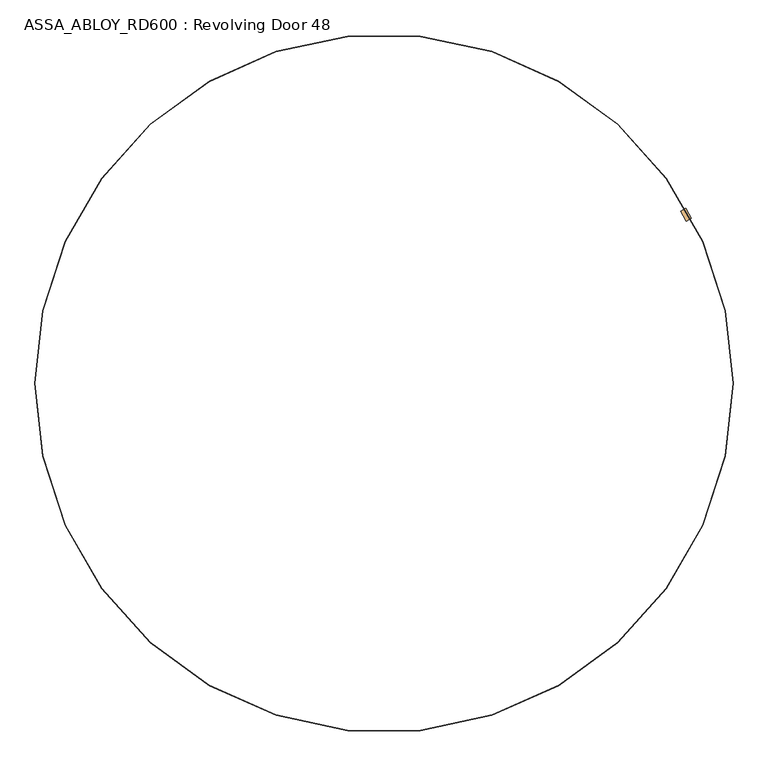
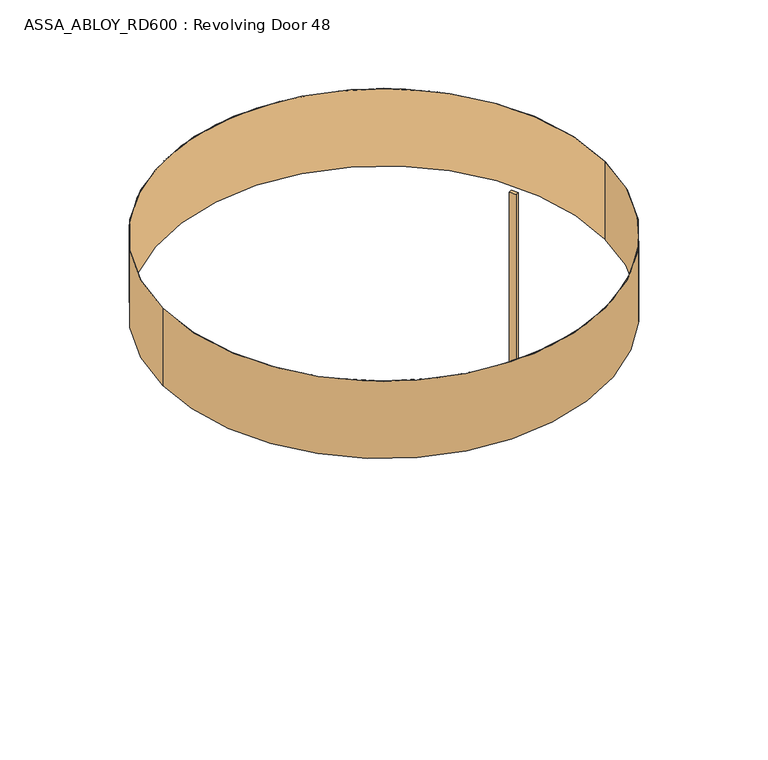
"""IFC4 building model written with IfcOpenShell, lengths in millimetres: door geometry, ASSA_ABLOY_RD600 : Revolving Door 48."""

from ifc_helpers import new_model, si_unit, point, frame, frame_2d, origin, origin_2d, place, context, project, spatial, polyline, circle_curve, trimmed, segment, composite_curve, outline, extrude, source, transform, mapped, element, save


def assa_abloy_rd600_revolving_door_48_437aac7e(model_context):
    return source(origin(), model_context, "Body", "SweptSolid", [
        extrude(outline(composite_curve([segment(trimmed(circle_curve(frame_2d((0.1125648, 0.0628824)), 2440.0), [point((2110.4736791, 1224.7979423))], [point((2149.4892331, 1154.95679))], False, "CARTESIAN"), True, "CONTINUOUS"), segment(polyline([(2149.4892331, 1154.95679), (2114.5627002, 1135.4456854)]), True, "CONTINUOUS"), segment(trimmed(circle_curve(frame_2d((0.1149851, 0.0555058)), 2400.0), [point((2114.5627002, 1135.4456854))], [point((2075.5469245, 1205.2867138))], True, "CARTESIAN"), True, "CONTINUOUS"), segment(polyline([(2075.5469245, 1205.2867138), (2110.4736791, 1224.7979423)]), True, "CONTINUOUS")], self_intersect=False)), frame((0.0, 0.0, 120.0), z_axis=(0.0, 0.0, 1.0), x_axis=(1.0, 0.0, 0.0)), (0.0, 0.0, 1.0), 2420.0),
        extrude(outline(composite_curve([segment(trimmed(circle_curve(origin_2d(), 2441.0), [point((-2441.0, 0.0))], [point((2441.0, 0.0))], False, "CARTESIAN"), True, "CONTINUOUS"), segment(trimmed(circle_curve(origin_2d(), 2441.0), [point((2441.0, 0.0))], [point((-2441.0, 0.0))], False, "CARTESIAN"), True, "CONTINUOUS")], self_intersect=False), holes=[composite_curve([segment(trimmed(circle_curve(origin_2d(), 2437.0), [point((-2437.0, 0.0))], [point((2437.0, 0.0))], True, "CARTESIAN"), True, "CONTINUOUS"), segment(trimmed(circle_curve(origin_2d(), 2437.0), [point((2437.0, 0.0))], [point((-2437.0, 0.0))], True, "CARTESIAN"), True, "CONTINUOUS")], self_intersect=False)]), frame((0.0, 0.0, 2600.0), z_axis=(0.0, 0.0, 1.0), x_axis=(1.0, 0.0, 0.0)), (0.0, 0.0, 1.0), 900.0),
    ])


if __name__ == "__main__":
    model = new_model("IFC4")
    model_context = context("Model", 3, world=origin())
    ifc_project = project(units=[si_unit("LENGTHUNIT", "METRE", prefix="MILLI")], contexts=[model_context])
    site = spatial("IfcSite", under=ifc_project)
    building = spatial("IfcBuilding", under=site)
    placement = place(None, origin())
    assa_abloy_rd600_revolving_door_48_shape = assa_abloy_rd600_revolving_door_48_437aac7e(model_context)
    element("IfcDoor", 1, ObjectType="ASSA_ABLOY_RD600 : Revolving Door 48", at=placement, inside=building, context=model_context, shape_type="MappedRepresentation", body=[
        mapped(assa_abloy_rd600_revolving_door_48_shape, transform((0.0, 0.0, 0.0), x_axis=(1.0, 0.0, 0.0), y_axis=(0.0, 1.0, 0.0), z_axis=(0.0, 0.0, 1.0))),
    ])
    save(model, "model.ifc")
